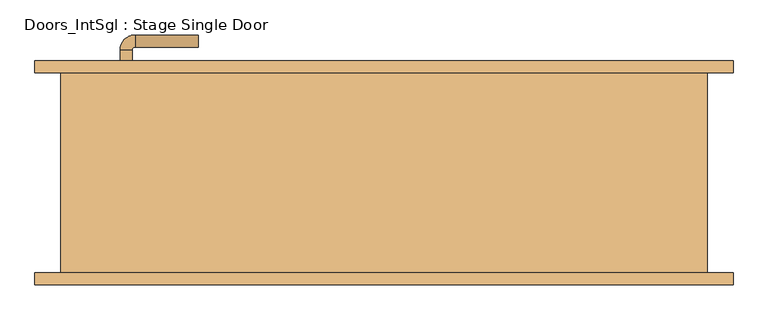
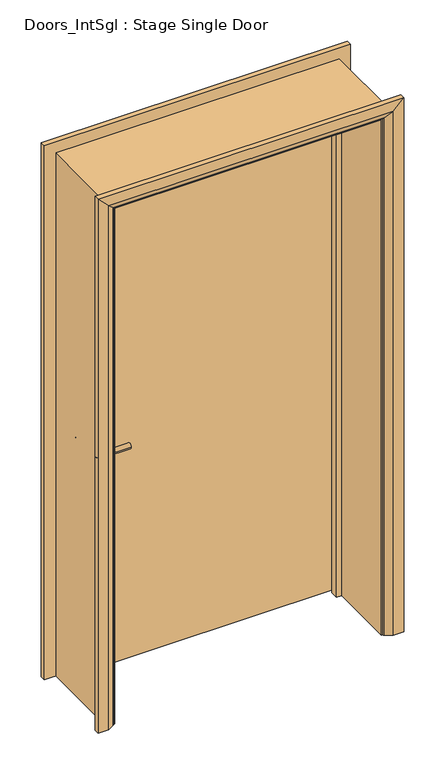
"""IFC4 building model written with IfcOpenShell, lengths in millimetres: door geometry, Doors_IntSgl : Stage Single Door."""

from ifc_helpers import new_model, si_unit, point, frame, frame_2d, origin, place, context, project, spatial, polyline, circle_curve, ellipse_curve, trimmed, segment, composite_curve, outline, extrude, faceted_brep, source, transform, mapped, element, save
from ifc_brep_helpers import plane_surface, cylinder_surface, revolved_surface, advanced_brep


def doors_intsgl_stage_single_door_30ceffe9(model_context):
    return source(origin(), model_context, "Body", "SolidModel", [
        advanced_brep(
        [(-440.0, 120.8, 900.0), (-420.0, 120.8, 900.0), (-420.0, 90.8, 900.0), (-440.0, 90.8, 900.0), (-415.0, 85.8, 900.0), (-415.0, 65.8, 900.0), (-310.0, 65.8, 900.0), (-310.0, 85.8, 900.0)],
        [
            (0, 1, circle_curve(frame((-430.0, 120.8, 900.0), z_axis=(0.0, 1.0, 0.0), x_axis=(1.0, 0.0, 0.0)), 10.0)),
            (1, 0, circle_curve(frame((-430.0, 120.8, 900.0), z_axis=(0.0, 1.0, 0.0), x_axis=(1.0, 0.0, 0.0)), 10.0)),
            (1, 2),
            (2, 3, circle_curve(frame((-430.0, 90.8, 900.0), z_axis=(0.0, 1.0, 0.0), x_axis=(1.0, 0.0, 0.0)), 10.0)),
            (3, 0),
            (3, 2, circle_curve(frame((-430.0, 90.8, 900.0), z_axis=(0.0, 1.0, 0.0), x_axis=(1.0, 0.0, 0.0)), 10.0)),
            (4, 5, circle_curve(frame((-415.0, 75.8, 900.0), z_axis=(-1.0, 0.0, 0.0), x_axis=(0.0, 1.0, 0.0)), 10.0)),
            (5, 3, circle_curve(frame((-415.0, 90.8, 900.0), z_axis=(0.0, 0.0, -1.0), x_axis=(-1.0, 0.0, 0.0)), 25.0)),
            (2, 4, circle_curve(frame((-415.0, 90.8, 900.0), z_axis=(0.0, 0.0, 1.0), x_axis=(-1.0, 0.0, 0.0)), 5.0)),
            (5, 4, circle_curve(frame((-415.0, 75.8, 900.0), z_axis=(-1.0, 0.0, 0.0), x_axis=(0.0, 1.0, 0.0)), 10.0)),
            (6, 7, circle_curve(frame((-310.0, 75.8, 900.0), z_axis=(1.0, 0.0, 0.0), x_axis=(0.0, 1.0, 0.0)), 10.0)),
            (7, 6, circle_curve(frame((-310.0, 75.8, 900.0), z_axis=(1.0, 0.0, 0.0), x_axis=(0.0, 1.0, 0.0)), 10.0)),
            (4, 7),
            (6, 5),
        ],
        [
            plane_surface(frame((-430.0, 120.8, 900.0), z_axis=(0.0, 1.0, 0.0), x_axis=(0.0, 0.0, 1.0))),
            cylinder_surface(frame((-430.0, 120.8, 900.0), z_axis=(0.0, 1.0, 0.0), x_axis=(1.0, 0.0, 0.0)), 10.0),
            revolved_surface(trimmed(ellipse_curve(frame((-430.0, 90.8, 900.0), z_axis=(0.0, -1.0, 0.0), x_axis=(1.0, 0.0, 0.0)), 10.0, 10.0), [point((-440.0, 90.8, 900.0))], [point((-420.0, 90.8, 900.0))], True, "CARTESIAN"), (-415.0, 90.8, 900.0), (0.0, 0.0, -1.0)),
            revolved_surface(trimmed(ellipse_curve(frame((-430.0, 90.8, 900.0), z_axis=(0.0, -1.0, 0.0), x_axis=(1.0, 0.0, 0.0)), 10.0, 10.0), [point((-420.0, 90.8, 900.0))], [point((-440.0, 90.8, 900.0))], True, "CARTESIAN"), (-415.0, 90.8, 900.0), (0.0, 0.0, -1.0)),
            plane_surface(frame((-310.0, 75.8, 900.0), z_axis=(1.0, 0.0, 0.0), x_axis=(0.0, 0.0, 1.0))),
            cylinder_surface(frame((-415.0, 75.8, 900.0), z_axis=(-1.0, 0.0, 0.0), x_axis=(0.0, 1.0, 0.0)), 10.0),
        ],
        [
            (0, [[1, 2]]),
            (1, [[3, 4, 5, -2]]),
            (1, [[-5, 6, -3, -1]]),
            (2, [[7, 8, -4, 9]]),
            (3, [[10, -9, -6, -8]]),
            (4, [[11, 12]]),
            (5, [[13, -11, 14, -7]]),
            (5, [[-14, -12, -13, -10]]),
        ],
    ),
        extrude(outline(composite_curve([segment(trimmed(circle_curve(frame_2d((900.0, -432.5)), 30.0), [point((900.0, -462.5))], [point((900.0, -402.5))], False, "CARTESIAN"), True, "CONTINUOUS"), segment(trimmed(circle_curve(frame_2d((900.0, -432.5)), 30.0), [point((900.0, -402.5))], [point((900.0, -462.5))], False, "CARTESIAN"), True, "CONTINUOUS")], self_intersect=False)), frame((0.0, 120.8, 0.0), z_axis=(0.0, 1.0, 0.0), x_axis=(0.0, 0.0, 1.0)), (0.0, 0.0, 1.0), 8.0),
        advanced_brep(
        [(-440.0, 174.8, 900.0), (-420.0, 174.8, 900.0), (-440.0, 204.8, 900.0), (-420.0, 204.8, 900.0), (-415.0, 209.8, 900.0), (-415.0, 229.8, 900.0), (-310.0, 229.8, 900.0), (-310.0, 209.8, 900.0)],
        [
            (0, 1, circle_curve(frame((-430.0, 174.8, 900.0), z_axis=(0.0, -1.0, 0.0), x_axis=(1.0, 0.0, 0.0)), 10.0)),
            (1, 0, circle_curve(frame((-430.0, 174.8, 900.0), z_axis=(0.0, -1.0, 0.0), x_axis=(1.0, 0.0, 0.0)), 10.0)),
            (0, 2),
            (2, 3, circle_curve(frame((-430.0, 204.8, 900.0), z_axis=(0.0, -1.0, 0.0), x_axis=(1.0, 0.0, 0.0)), 10.0)),
            (3, 1),
            (3, 2, circle_curve(frame((-430.0, 204.8, 900.0), z_axis=(0.0, -1.0, 0.0), x_axis=(1.0, 0.0, 0.0)), 10.0)),
            (4, 3, circle_curve(frame((-415.0, 204.8, 900.0), z_axis=(0.0, 0.0, 1.0), x_axis=(-1.0, 0.0, 0.0)), 5.0)),
            (2, 5, circle_curve(frame((-415.0, 204.8, 900.0), z_axis=(0.0, 0.0, -1.0), x_axis=(-1.0, 0.0, 0.0)), 25.0)),
            (5, 4, circle_curve(frame((-415.0, 219.8, 900.0), z_axis=(-1.0, 0.0, 0.0), x_axis=(0.0, -1.0, 0.0)), 10.0)),
            (4, 5, circle_curve(frame((-415.0, 219.8, 900.0), z_axis=(-1.0, 0.0, 0.0), x_axis=(0.0, -1.0, 0.0)), 10.0)),
            (6, 7, circle_curve(frame((-310.0, 219.8, 900.0), z_axis=(1.0, 0.0, 0.0), x_axis=(0.0, -1.0, 0.0)), 10.0)),
            (7, 6, circle_curve(frame((-310.0, 219.8, 900.0), z_axis=(1.0, 0.0, 0.0), x_axis=(0.0, -1.0, 0.0)), 10.0)),
            (5, 6),
            (7, 4),
        ],
        [
            plane_surface(frame((-430.0, 174.8, 900.0), z_axis=(0.0, -1.0, 0.0), x_axis=(0.0, 0.0, 1.0))),
            cylinder_surface(frame((-430.0, 174.8, 900.0), z_axis=(0.0, -1.0, 0.0), x_axis=(1.0, 0.0, 0.0)), 10.0),
            revolved_surface(trimmed(ellipse_curve(frame((-430.0, 204.8, 900.0), z_axis=(0.0, -1.0, 0.0), x_axis=(1.0, 0.0, 0.0)), 10.0, 10.0), [point((-440.0, 204.8, 900.0))], [point((-420.0, 204.8, 900.0))], True, "CARTESIAN"), (-415.0, 204.8, 900.0), (0.0, 0.0, -1.0)),
            revolved_surface(trimmed(ellipse_curve(frame((-430.0, 204.8, 900.0), z_axis=(0.0, -1.0, 0.0), x_axis=(1.0, 0.0, 0.0)), 10.0, 10.0), [point((-420.0, 204.8, 900.0))], [point((-440.0, 204.8, 900.0))], True, "CARTESIAN"), (-415.0, 204.8, 900.0), (0.0, 0.0, -1.0)),
            plane_surface(frame((-310.0, 219.8, 900.0), z_axis=(1.0, 0.0, 0.0), x_axis=(0.0, 0.0, 1.0))),
            cylinder_surface(frame((-415.0, 219.8, 900.0), z_axis=(-1.0, 0.0, 0.0), x_axis=(0.0, -1.0, 0.0)), 10.0),
        ],
        [
            (0, [[1, 2]]),
            (1, [[-1, 3, 4, 5]]),
            (1, [[-2, -5, 6, -3]]),
            (2, [[7, -4, 8, 9]]),
            (3, [[-8, -6, -7, 10]]),
            (4, [[11, 12]]),
            (5, [[-9, 13, -12, 14]]),
            (5, [[-10, -14, -11, -13]]),
        ],
    ),
        extrude(outline(composite_curve([segment(trimmed(circle_curve(frame_2d((900.0, -432.5)), 30.0), [point((900.0, -462.5))], [point((900.0, -402.5))], False, "CARTESIAN"), True, "CONTINUOUS"), segment(trimmed(circle_curve(frame_2d((900.0, -432.5)), 30.0), [point((900.0, -402.5))], [point((900.0, -462.5))], False, "CARTESIAN"), True, "CONTINUOUS")], self_intersect=False)), frame((0.0, 166.8, 0.0), z_axis=(0.0, 1.0, 0.0), x_axis=(0.0, 0.0, 1.0)), (0.0, 0.0, 1.0), 8.0),
        extrude(outline(polyline([(505.0, 128.8), (-505.0, 128.8), (-505.0, 166.8), (505.0, 166.8), (505.0, 128.8)])), frame((0.0, 0.0, 8.0), z_axis=(0.0, 0.0, 1.0), x_axis=(1.0, 0.0, 0.0)), (0.0, 0.0, 1.0), 2060.0),
        advanced_brep(
        [(582.0, 186.8, 0.0), (582.0, 166.8, 0.0), (512.0, 166.8, 0.0), (516.0, 172.8, 0.0), (542.0, 186.8, 0.0), (582.0, 186.8, 2145.0), (582.0, 166.8, 2145.0), (-582.0, 166.8, 2145.0), (-582.0, 166.8, 0.0), (-512.0, 166.8, 0.0), (-512.0, 166.8, 2075.0), (512.0, 166.8, 2075.0), (516.0, 172.8, 2079.0), (542.0, 186.8, 2105.0), (-542.0, 186.8, 2105.0), (-542.0, 186.8, 0.0), (-582.0, 186.8, 0.0), (-582.0, 186.8, 2145.0), (-516.0, 172.8, 0.0), (-516.0, 172.8, 2079.0)],
        [
            (0, 1),
            (1, 2),
            (2, 3, circle_curve(frame((520.0, 165.8, 0.0), z_axis=(0.0, 0.0, -1.0), x_axis=(1.0, 0.0, 0.0)), 8.0622577)),
            (3, 4),
            (4, 0),
            (0, 5),
            (5, 6),
            (6, 1),
            (6, 7),
            (7, 8),
            (8, 9),
            (9, 10),
            (10, 11),
            (11, 2),
            (11, 12, ellipse_curve(frame((520.0, 165.8, 2083.0), z_axis=(0.7071067811865475, 0.0, -0.7071067811865475), x_axis=(-0.7071067811865474, 0.0, -0.7071067811865476)), 11.4017543, 8.0622577)),
            (12, 3),
            (12, 13),
            (13, 4),
            (13, 14),
            (14, 15),
            (15, 16),
            (16, 17),
            (17, 5),
            (7, 17),
            (16, 8),
            (15, 18),
            (18, 9, circle_curve(frame((-520.0, 165.8, 0.0), z_axis=(0.0, 0.0, -1.0), x_axis=(-1.0, 0.0, 0.0)), 8.0622577)),
            (19, 10, ellipse_curve(frame((-520.0, 165.8, 2083.0), z_axis=(-0.7071067811865475, 0.0, -0.7071067811865475), x_axis=(-0.7071067811865474, 0.0, 0.7071067811865476)), 11.4017543, 8.0622577)),
            (18, 19),
            (14, 19),
            (19, 12),
        ],
        [
            plane_surface(frame((512.0, 166.8, 0.0), z_axis=(0.0, 0.0, -1.0), x_axis=(0.0, -1.0, 0.0))),
            plane_surface(frame((582.0, 186.8, 0.0), z_axis=(1.0, 0.0, 0.0), x_axis=(0.0, 0.0, 1.0))),
            plane_surface(frame((582.0, 166.8, 0.0), z_axis=(0.0, -1.0, 0.0), x_axis=(0.0, 0.0, 1.0))),
            cylinder_surface(frame((520.0, 165.8, 0.0), z_axis=(0.0, 0.0, -1.0), x_axis=(1.0, 0.0, 0.0)), 8.0622577),
            plane_surface(frame((516.0, 172.8, 0.0), z_axis=(-0.4740998230350126, 0.880471099922178, 0.0), x_axis=(0.0, 0.0, 1.0))),
            plane_surface(frame((542.0, 186.8, 0.0), z_axis=(0.0, 1.0, 0.0), x_axis=(0.0, 0.0, 1.0))),
            plane_surface(frame((-582.0, 186.8, 2145.0), z_axis=(-1.0, 0.0, 0.0), x_axis=(0.0, 0.0, -1.0))),
            plane_surface(frame((-512.0, 166.8, 0.0), z_axis=(0.0, 0.0, -1.0), x_axis=(0.0, -1.0, 0.0))),
            cylinder_surface(frame((-520.0, 165.8, 2075.0), z_axis=(0.0, 0.0, 1.0), x_axis=(-1.0, 0.0, 0.0)), 8.0622577),
            plane_surface(frame((-516.0, 172.8, 2079.0), z_axis=(0.47409982303501824, 0.8804710999221749, 0.0), x_axis=(0.0, 0.0, -1.0))),
            plane_surface(frame((582.0, 186.8, 2145.0), z_axis=(0.0, 0.0, 1.0), x_axis=(-1.0, 0.0, 0.0))),
            cylinder_surface(frame((512.0, 165.8, 2083.0), z_axis=(1.0, 0.0, 0.0), x_axis=(0.0, 0.0, 1.0)), 8.0622577),
            plane_surface(frame((516.0, 172.8, 2079.0), z_axis=(0.0, 0.8804710999221764, -0.4740998230350154), x_axis=(-1.0, 0.0, 0.0))),
        ],
        [
            (0, [[1, 2, 3, 4, 5]]),
            (1, [[-1, 6, 7, 8]]),
            (2, [[-2, -8, 9, 10, 11, 12, 13, 14]]),
            (3, [[-3, -14, 15, 16]]),
            (4, [[-4, -16, 17, 18]]),
            (5, [[-5, -18, 19, 20, 21, 22, 23, -6]]),
            (6, [[24, -22, 25, -10]]),
            (7, [[-21, 26, 27, -11, -25]]),
            (8, [[28, -12, -27, 29]]),
            (9, [[30, -29, -26, -20]]),
            (10, [[-7, -23, -24, -9]]),
            (11, [[-15, -13, -28, 31]]),
            (12, [[-17, -31, -30, -19]]),
        ],
    ),
        extrude(outline(polyline([(0.0, -507.0), (0.0, -488.0), (2051.0, -488.0), (2051.0, 488.0), (0.0, 488.0), (0.0, 507.0), (2070.0, 507.0), (2070.0, -507.0), (0.0, -507.0)])), frame((0.0, 94.8, 0.0), z_axis=(0.0, 1.0, 0.0), x_axis=(0.0, 0.0, 1.0)), (0.0, 0.0, 1.0), 32.0),
        advanced_brep(
        [(-582.0, -186.8, 0.0), (-582.0, -166.8, 0.0), (-512.0, -166.8, 0.0), (-516.0, -172.8, 0.0), (-542.0, -186.8, 0.0), (-582.0, -186.8, 2145.0), (-582.0, -166.8, 2145.0), (-512.0, -166.8, 2075.0), (-516.0, -172.8, 2079.0), (-542.0, -186.8, 2105.0), (582.0, -186.8, 0.0), (542.0, -186.8, 0.0), (516.0, -172.8, 0.0), (512.0, -166.8, 0.0), (582.0, -166.8, 0.0), (582.0, -186.8, 2145.0), (542.0, -186.8, 2105.0), (516.0, -172.8, 2079.0), (512.0, -166.8, 2075.0), (582.0, -166.8, 2145.0)],
        [
            (0, 1),
            (1, 2),
            (2, 3, circle_curve(frame((-520.0, -165.8, 0.0), z_axis=(0.0, 0.0, -1.0), x_axis=(-1.0, 0.0, 0.0)), 8.0622577)),
            (3, 4),
            (4, 0),
            (0, 5),
            (5, 6),
            (6, 1),
            (6, 7),
            (7, 2),
            (7, 8, ellipse_curve(frame((-520.0, -165.8, 2083.0), z_axis=(-0.7071067811865475, 0.0, -0.7071067811865475), x_axis=(0.7071067811865474, 0.0, -0.7071067811865476)), 11.4017543, 8.0622577)),
            (8, 3),
            (8, 9),
            (9, 4),
            (9, 5),
            (10, 11),
            (11, 12),
            (12, 13, circle_curve(frame((520.0, -165.8, 0.0), z_axis=(0.0, 0.0, -1.0), x_axis=(1.0, 0.0, 0.0)), 8.0622577)),
            (13, 14),
            (14, 10),
            (15, 16),
            (16, 11),
            (10, 15),
            (16, 17),
            (17, 12),
            (17, 18, ellipse_curve(frame((520.0, -165.8, 2083.0), z_axis=(0.7071067811865475, 0.0, -0.7071067811865475), x_axis=(0.7071067811865474, 0.0, 0.7071067811865476)), 11.4017543, 8.0622577)),
            (18, 13),
            (18, 19),
            (19, 14),
            (19, 15),
            (5, 15),
            (19, 6),
            (18, 7),
            (17, 8),
            (16, 9),
        ],
        [
            plane_surface(frame((-512.0, -239.6010989, 0.0), z_axis=(0.0, 0.0, -1.0), x_axis=(1.0, 0.0, 0.0))),
            plane_surface(frame((-582.0, -186.8, 0.0), z_axis=(-1.0, 0.0, 0.0), x_axis=(0.0, 0.0, 1.0))),
            plane_surface(frame((-582.0, -166.8, 0.0), z_axis=(0.0, 1.0, 0.0), x_axis=(0.0, 0.0, 1.0))),
            cylinder_surface(frame((-520.0, -165.8, 0.0), z_axis=(0.0, 0.0, -1.0), x_axis=(-1.0, 0.0, 0.0)), 8.0622577),
            plane_surface(frame((-516.0, -172.8, 0.0), z_axis=(0.4740998230350183, -0.8804710999221749, 0.0), x_axis=(0.0, 0.0, 1.0))),
            plane_surface(frame((-542.0, -186.8, 0.0), z_axis=(0.0, -1.0, 0.0), x_axis=(0.0, 0.0, 1.0))),
            plane_surface(frame((512.0, -239.6010989, 0.0), z_axis=(0.0, 0.0, -1.0), x_axis=(-1.0, 0.0, 0.0))),
            plane_surface(frame((542.0, -186.8, 2105.0), z_axis=(0.0, -1.0, 0.0), x_axis=(0.0, 0.0, -1.0))),
            plane_surface(frame((516.0, -172.8, 2079.0), z_axis=(-0.4740998230350183, -0.8804710999221749, 0.0), x_axis=(0.0, 0.0, -1.0))),
            cylinder_surface(frame((520.0, -165.8, 2075.0), z_axis=(0.0, 0.0, 1.0), x_axis=(1.0, 0.0, 0.0)), 8.0622577),
            plane_surface(frame((582.0, -166.8, 2145.0), z_axis=(0.0, 1.0, 0.0), x_axis=(0.0, 0.0, -1.0))),
            plane_surface(frame((582.0, -186.8, 2145.0), z_axis=(1.0, 0.0, 0.0), x_axis=(0.0, 0.0, -1.0))),
            plane_surface(frame((-582.0, -186.8, 2145.0), z_axis=(0.0, 0.0, 1.0), x_axis=(1.0, 0.0, 0.0))),
            plane_surface(frame((-582.0, -166.8, 2145.0), z_axis=(0.0, 1.0, 0.0), x_axis=(1.0, 0.0, 0.0))),
            cylinder_surface(frame((-512.0, -165.8, 2083.0), z_axis=(-1.0, 0.0, 0.0), x_axis=(0.0, 0.0, 1.0)), 8.0622577),
            plane_surface(frame((-516.0, -172.8, 2079.0), z_axis=(0.0, -0.8804710999221749, -0.4740998230350183), x_axis=(1.0, 0.0, 0.0))),
            plane_surface(frame((-542.0, -186.8, 2105.0), z_axis=(0.0, -1.0, 0.0), x_axis=(1.0, 0.0, 0.0))),
        ],
        [
            (0, [[1, 2, 3, 4, 5]]),
            (1, [[-1, 6, 7, 8]]),
            (2, [[-2, -8, 9, 10]]),
            (3, [[-3, -10, 11, 12]]),
            (4, [[-4, -12, 13, 14]]),
            (5, [[-5, -14, 15, -6]]),
            (6, [[16, 17, 18, 19, 20]]),
            (7, [[21, 22, -16, 23]]),
            (8, [[24, 25, -17, -22]]),
            (9, [[26, 27, -18, -25]]),
            (10, [[28, 29, -19, -27]]),
            (11, [[30, -23, -20, -29]]),
            (12, [[-7, 31, -30, 32]]),
            (13, [[-9, -32, -28, 33]]),
            (14, [[-11, -33, -26, 34]]),
            (15, [[-13, -34, -24, 35]]),
            (16, [[-15, -35, -21, -31]]),
        ],
    ),
        faceted_brep([(-507.0, 166.8, 0.0), (-507.0, -166.8, 0.0), (-539.0, -166.8, 0.0), (-539.0, 166.8, 0.0), (-507.0, 166.8, 2070.0), (-507.0, -166.8, 2070.0), (-539.0, -166.8, 2102.0), (-539.0, 166.8, 2102.0), (507.0, 166.8, 0.0), (539.0, 166.8, 0.0), (539.0, -166.8, 0.0), (507.0, -166.8, 0.0), (507.0, 166.8, 2070.0), (539.0, 166.8, 2102.0), (539.0, -166.8, 2102.0), (507.0, -166.8, 2070.0)], [[[0, 1, 2, 3]], [[1, 0, 4, 5]], [[2, 1, 5, 6]], [[3, 2, 6, 7]], [[0, 3, 7, 4]], [[8, 9, 10, 11]], [[12, 13, 9, 8]], [[13, 14, 10, 9]], [[14, 15, 11, 10]], [[15, 12, 8, 11]], [[5, 4, 12, 15]], [[6, 5, 15, 14]], [[7, 6, 14, 13]], [[4, 7, 13, 12]]]),
    ])


if __name__ == "__main__":
    model = new_model("IFC4")
    model_context = context("Model", 3, world=origin())
    ifc_project = project(units=[si_unit("LENGTHUNIT", "METRE", prefix="MILLI")], contexts=[model_context])
    site = spatial("IfcSite", under=ifc_project)
    building = spatial("IfcBuilding", under=site)
    placement = place(None, origin())
    doors_intsgl_stage_single_door_shape = doors_intsgl_stage_single_door_30ceffe9(model_context)
    element("IfcDoor", 1, ObjectType="Doors_IntSgl : Stage Single Door", at=placement, inside=building, context=model_context, shape_type="MappedRepresentation", body=[
        mapped(doors_intsgl_stage_single_door_shape, transform((0.0, 0.0, 0.0), x_axis=(1.0, 0.0, 0.0), y_axis=(0.0, 1.0, 0.0), z_axis=(0.0, 0.0, 1.0))),
    ])
    save(model, "model.ifc")
